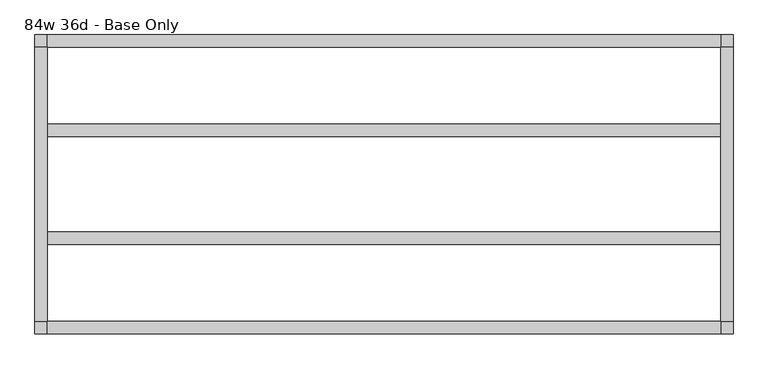
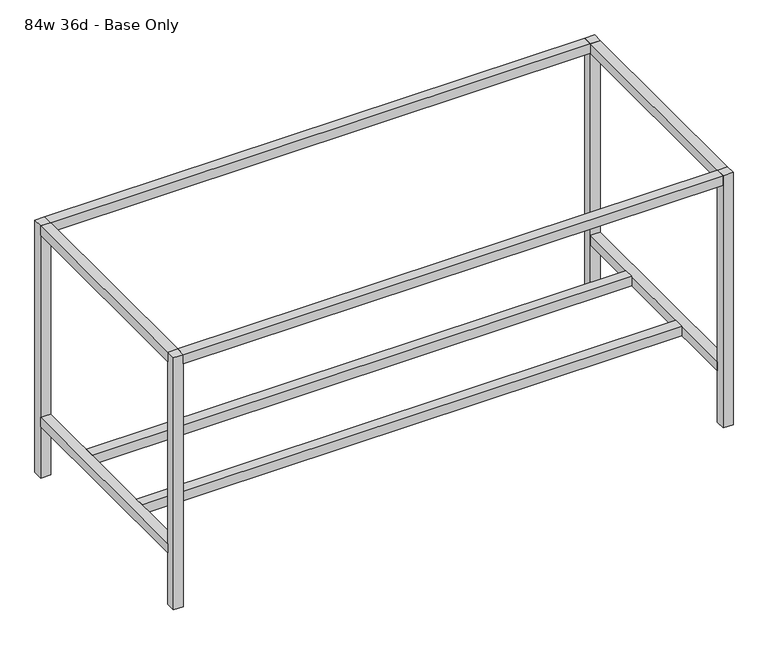
"""IFC4 building model written with IfcOpenShell, lengths in millimetres: furniture geometry, 84w 36d - Base Only."""

import ifcopenshell
import ifcopenshell.guid

model = None  # the IFC model being written
_history = None  # IfcOwnerHistory: only IFC2X3 demands one
_inside = {}  # id of a spatial element -> (the spatial element, [elements in it])
_under = {}  # id of a project, library or spatial element -> (it, [spatial elements below it])
_declared = {}  # id of a project -> (the project, [libraries it declares])
_typed = {}  # id of a type object -> (the type object, [elements of that type])
_made_of = {}  # id of a material, layer set ... -> (it, [elements and type objects made of it])


def new_model(schema):
    """Start an empty IFC model of exactly this schema.

    Asked for "IFC4X3", IfcOpenShell would pick the latest addendum, in which some entities
    have other attributes; the version numbers below select the first issue.
    IFC2X3 requires an IfcOwnerHistory on every rooted entity: one is made here for all.
    """
    global model, _history
    if schema == "IFC4X3":
        model = ifcopenshell.file(schema_version=(4, 3, 0, 0))
    else:
        model = ifcopenshell.file(schema=schema)
    _inside.clear()
    _under.clear()
    _declared.clear()
    _typed.clear()
    _made_of.clear()
    _history = None
    if model.schema == "IFC2X3":
        org = make("IfcOrganization", Name="unknown")
        user = make(
            "IfcPersonAndOrganization",
            ThePerson=make("IfcPerson", FamilyName="unknown"),
            TheOrganization=org,
        )
        app = make(
            "IfcApplication",
            ApplicationDeveloper=org,
            Version="unknown",
            ApplicationFullName="unknown",
            ApplicationIdentifier="unknown",
        )
        _history = make(
            "IfcOwnerHistory",
            OwningUser=user,
            OwningApplication=app,
            ChangeAction="ADDED",
            CreationDate=0,
        )
    return model


def make(cls, **values):
    """One entity of the class cls with the attributes given. An attribute that is None is left unset."""
    return model.create_entity(
        cls, **{name: value for name, value in values.items() if value is not None}
    )


def rooted(cls, **values):
    """An entity with a GlobalId (a new one), such as an element, a storey or a relation."""
    return make(cls, GlobalId=ifcopenshell.guid.new(), OwnerHistory=_history, **values)


def si_unit(unit_type, name, prefix=None):
    """IfcSIUnit, for example si_unit("LENGTHUNIT", "METRE", prefix="MILLI")."""
    return make("IfcSIUnit", UnitType=unit_type, Prefix=prefix, Name=name)


def assignment(units):
    """IfcUnitAssignment: the units of a project."""
    return None if units is None else make("IfcUnitAssignment", Units=units)


def point(xyz):
    """IfcCartesianPoint."""
    return None if xyz is None else make("IfcCartesianPoint", Coordinates=xyz)


def direction(xyz):
    """IfcDirection."""
    return None if xyz is None else make("IfcDirection", DirectionRatios=xyz)


def frame(location, z_axis=None, x_axis=None):
    """IfcAxis2Placement3D, a coordinate frame: its origin and axes. An axis left out is left unset."""
    return make(
        "IfcAxis2Placement3D",
        Location=point(location),
        Axis=direction(z_axis),
        RefDirection=direction(x_axis),
    )


def origin():
    """The frame at (0, 0, 0) with its axes left unset."""
    return frame((0.0, 0.0, 0.0))


def origin_with_axes():
    """The frame at (0, 0, 0) with the z axis (0, 0, 1) and the x axis (1, 0, 0) written out."""
    return frame((0.0, 0.0, 0.0), z_axis=(0.0, 0.0, 1.0), x_axis=(1.0, 0.0, 0.0))


def place(relative_to, where):
    """IfcLocalPlacement: puts the frame where relative to a parent placement (None: the world)."""
    return make(
        "IfcLocalPlacement", PlacementRelTo=relative_to, RelativePlacement=where
    )


def context(
    kind, dimensions, precision=None, world=None, true_north=None, identifier=None
):
    """IfcGeometricRepresentationContext, for example the 3D "Model" context."""
    return make(
        "IfcGeometricRepresentationContext",
        ContextIdentifier=identifier,
        ContextType=kind,
        CoordinateSpaceDimension=dimensions,
        Precision=precision,
        WorldCoordinateSystem=world,
        TrueNorth=true_north,
    )


def project(units=None, contexts=None):
    """IfcProject with its units and contexts."""
    return rooted(
        "IfcProject",
        Name="project",
        RepresentationContexts=contexts,
        UnitsInContext=assignment(units),
    )


def spatial(cls, under=None, at=None, **own):
    """A site, building, storey or space (cls), placed at a placement, below another one or the project."""
    s = rooted(cls, ObjectPlacement=at, **own)
    if under is not None:
        _under.setdefault(under.id(), (under, []))[1].append(s)
    return s


def polyline(points):
    """IfcPolyline through the points."""
    return make("IfcPolyline", Points=[point(p) for p in points])


def outline(outer, holes=None, kind="AREA"):
    """IfcArbitraryClosedProfileDef: a profile drawn as a closed curve; with holes, ...WithVoids."""
    if holes is None:
        return make("IfcArbitraryClosedProfileDef", ProfileType=kind, OuterCurve=outer)
    return make(
        "IfcArbitraryProfileDefWithVoids",
        ProfileType=kind,
        OuterCurve=outer,
        InnerCurves=holes,
    )


def extrude(swept, where, along, depth):
    """IfcExtrudedAreaSolid: the profile swept, set in the frame where, extruded along a direction by depth."""
    return make(
        "IfcExtrudedAreaSolid",
        SweptArea=swept,
        Position=where,
        ExtrudedDirection=direction(along),
        Depth=depth,
    )


def shape(context_of_items, identifier, shape_type, items):
    """IfcShapeRepresentation: the items that make up one representation, for example the "Body"."""
    return make(
        "IfcShapeRepresentation",
        ContextOfItems=context_of_items,
        RepresentationIdentifier=identifier,
        RepresentationType=shape_type,
        Items=items,
    )


def source(mapping_origin, context_of_items, identifier, shape_type, items):
    """IfcRepresentationMap: a shape defined once, which mapped items show again and again."""
    return make(
        "IfcRepresentationMap",
        MappingOrigin=mapping_origin,
        MappedRepresentation=shape(context_of_items, identifier, shape_type, items),
    )


def transform(
    local_origin,
    x_axis=None,
    y_axis=None,
    z_axis=None,
    scale=None,
    scale2=None,
    scale3=None,
    uniform=True,
):
    """IfcCartesianTransformationOperator3D, or its non-uniform kind. x_axis, y_axis, z_axis: its Axis1, 2, 3."""
    if uniform:
        return make(
            "IfcCartesianTransformationOperator3D",
            Axis1=direction(x_axis),
            Axis2=direction(y_axis),
            LocalOrigin=point(local_origin),
            Scale=scale,
            Axis3=direction(z_axis),
        )
    return make(
        "IfcCartesianTransformationOperator3DnonUniform",
        Axis1=direction(x_axis),
        Axis2=direction(y_axis),
        LocalOrigin=point(local_origin),
        Scale=scale,
        Axis3=direction(z_axis),
        Scale2=scale2,
        Scale3=scale3,
    )


def mapped(mapping_source, mapping_target):
    """IfcMappedItem: shows the shape of a source again, moved by a transform."""
    return make(
        "IfcMappedItem", MappingSource=mapping_source, MappingTarget=mapping_target
    )


def made_of(thing, what):
    """Note that an element or type object is made of a material, layer set ...; save() writes the relation."""
    if what is not None:
        _made_of.setdefault(what.id(), (what, []))[1].append(thing)
    return thing


def element(
    cls,
    number,
    at=None,
    inside=None,
    cuts=None,
    type_object=None,
    material=None,
    context=None,
    identifier="Body",
    shape_type=None,
    held_by="IfcProductDefinitionShape",
    body=None,
    shapes=None,
    **own,
):
    """One element of the class cls, such as IfcWall. Its Tag is "e" and its number.

    at: its placement. inside: the storey or other place that contains it. cuts: it is an
    opening in that element (IfcRelVoidsElement). A single representation is given by context,
    identifier, shape_type and body (its items); several are given by shapes. held_by: the class
    of the entity that holds the representations. save() writes the other relations.
    """
    e = rooted(cls, Tag="e%d" % number, ObjectPlacement=at, **own)
    if body is not None:
        shapes = [shape(context, identifier, shape_type, body)]
    if shapes is not None:
        e.Representation = make(held_by, Representations=shapes)
    if inside is not None:
        _inside.setdefault(inside.id(), (inside, []))[1].append(e)
    if cuts is not None:
        rooted(
            "IfcRelVoidsElement", RelatingBuildingElement=cuts, RelatedOpeningElement=e
        )
    if type_object is not None:
        _typed.setdefault(type_object.id(), (type_object, []))[1].append(e)
    return made_of(e, material)


def aggregate(whole, parts):
    """IfcRelAggregates: a whole, such as a stair, and the parts it consists of."""
    return rooted("IfcRelAggregates", RelatingObject=whole, RelatedObjects=parts)


def save(model, path):
    """Write the relations noted so far, then the file.

    IfcRelAggregates (storeys below a building ...), IfcRelContainedInSpatialStructure (elements
    in a storey), IfcRelDefinesByType, IfcRelAssociatesMaterial and IfcRelDeclares: one each for
    every whole, place, type object, material and project.
    """
    for whole, parts in _under.values():
        aggregate(whole, parts)
    for where, things in _inside.values():
        rooted(
            "IfcRelContainedInSpatialStructure",
            RelatedElements=things,
            RelatingStructure=where,
        )
    for kind, things in _typed.values():
        rooted("IfcRelDefinesByType", RelatedObjects=things, RelatingType=kind)
    for what, things in _made_of.values():
        rooted("IfcRelAssociatesMaterial", RelatedObjects=things, RelatingMaterial=what)
    for by, libraries in _declared.values():
        rooted("IfcRelDeclares", RelatingContext=by, RelatedDefinitions=libraries)
    model.write(path)


def furniture_84w_36d_base_only_7c66b4df(model_context):
    return source(origin(), model_context, "Body", "SweptSolid", [
        extrude(outline(polyline([(6908.8, 172.5473297), (6908.8, 134.4473297), (4851.4, 134.4473297), (4851.4, 172.5473297), (6908.8, 172.5473297)])), frame((0.0, 0.0, 206.375), z_axis=(0.0, 0.0, 1.0), x_axis=(1.0, 0.0, 0.0)), (0.0, 0.0, 1.0), 38.1),
        extrude(outline(polyline([(6908.8, -157.6527578), (6908.8, -195.7527578), (4851.4, -195.7527578), (4851.4, -157.6527578), (6908.8, -157.6527578)])), frame((0.0, 0.0, 206.375), z_axis=(0.0, 0.0, 1.0), x_axis=(1.0, 0.0, 0.0)), (0.0, 0.0, 1.0), 38.1),
        extrude(outline(polyline([(6908.8, 407.4973297), (4851.4, 407.4973297), (4851.4, 445.5973297), (6908.8, 445.5973297), (6908.8, 407.4973297)])), frame((0.0, 0.0, 977.9), z_axis=(0.0, 0.0, 1.0), x_axis=(1.0, 0.0, 0.0)), (0.0, 0.0, 1.0), 38.1),
        extrude(outline(polyline([(4851.4, -468.8026703), (4851.4, -430.7027578), (6908.8, -430.7027578), (6908.8, -468.8026703), (4851.4, -468.8026703)])), frame((0.0, 0.0, 977.9), z_axis=(0.0, 0.0, 1.0), x_axis=(1.0, 0.0, 0.0)), (0.0, 0.0, 1.0), 38.1),
        extrude(outline(polyline([(6908.8, -430.7027578), (6908.8, 407.4973297), (6946.9, 407.4973297), (6946.9, -430.7027578), (6908.8, -430.7027578)])), frame((0.0, 0.0, 977.9), z_axis=(0.0, 0.0, 1.0), x_axis=(1.0, 0.0, 0.0)), (0.0, 0.0, 1.0), 38.1),
        extrude(outline(polyline([(6908.8, -430.7027578), (6908.8, 407.4973297), (6946.9, 407.4973297), (6946.9, -430.7027578), (6908.8, -430.7027578)])), frame((0.0, 0.0, 206.375), z_axis=(0.0, 0.0, 1.0), x_axis=(1.0, 0.0, 0.0)), (0.0, 0.0, 1.0), 38.1),
        extrude(outline(polyline([(4813.3, -430.7027578), (4813.3, 407.4973297), (4851.4, 407.4973297), (4851.4, -430.7027578), (4813.3, -430.7027578)])), frame((0.0, 0.0, 206.375), z_axis=(0.0, 0.0, 1.0), x_axis=(1.0, 0.0, 0.0)), (0.0, 0.0, 1.0), 38.1),
        extrude(outline(polyline([(4813.3, -430.7027578), (4813.3, 407.4973297), (4851.4, 407.4973297), (4851.4, -430.7027578), (4813.3, -430.7027578)])), frame((0.0, 0.0, 977.9), z_axis=(0.0, 0.0, 1.0), x_axis=(1.0, 0.0, 0.0)), (0.0, 0.0, 1.0), 38.1),
        extrude(outline(polyline([(6946.9, 445.5973297), (6946.9, 407.4973297), (6908.8, 407.4973297), (6908.8, 445.5973297), (6946.9, 445.5973297)])), origin_with_axes(), (0.0, 0.0, 1.0), 1016.0),
        extrude(outline(polyline([(6946.9, -430.7027578), (6946.9, -468.8026703), (6908.8, -468.8026703), (6908.8, -430.7027578), (6946.9, -430.7027578)])), origin_with_axes(), (0.0, 0.0, 1.0), 1016.0),
        extrude(outline(polyline([(4851.4, -430.7027578), (4851.4, -468.8026703), (4813.3, -468.8026703), (4813.3, -430.7027578), (4851.4, -430.7027578)])), origin_with_axes(), (0.0, 0.0, 1.0), 1016.0),
        extrude(outline(polyline([(4851.4, 445.5973297), (4851.4, 407.4973297), (4813.3, 407.4973297), (4813.3, 445.5973297), (4851.4, 445.5973297)])), origin_with_axes(), (0.0, 0.0, 1.0), 1016.0),
    ])


if __name__ == "__main__":
    model = new_model("IFC4")
    model_context = context("Model", 3, world=origin())
    ifc_project = project(units=[si_unit("LENGTHUNIT", "METRE", prefix="MILLI")], contexts=[model_context])
    site = spatial("IfcSite", under=ifc_project)
    building = spatial("IfcBuilding", under=site)
    placement = place(None, origin())
    furniture_84w_36d_base_only_shape = furniture_84w_36d_base_only_7c66b4df(model_context)
    element("IfcFurniture", 1, ObjectType="84w 36d - Base Only", at=placement, inside=building, context=model_context, shape_type="MappedRepresentation", body=[
        mapped(furniture_84w_36d_base_only_shape, transform((0.0, 0.0, 0.0), x_axis=(1.0, 0.0, 0.0), y_axis=(0.0, 1.0, 0.0), z_axis=(0.0, 0.0, 1.0))),
    ])
    save(model, "model.ifc")
